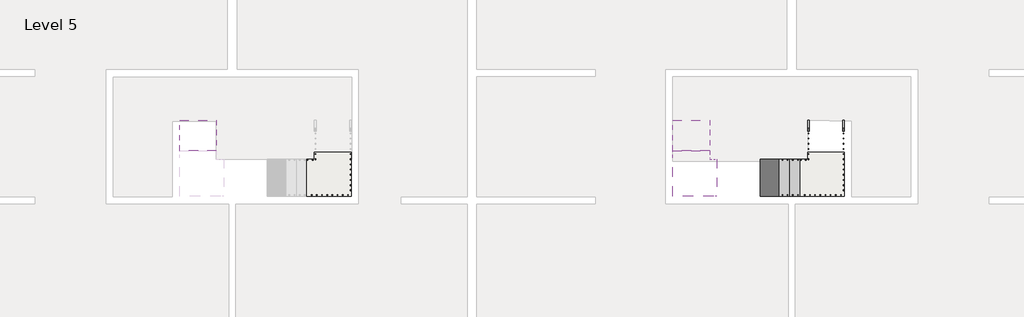
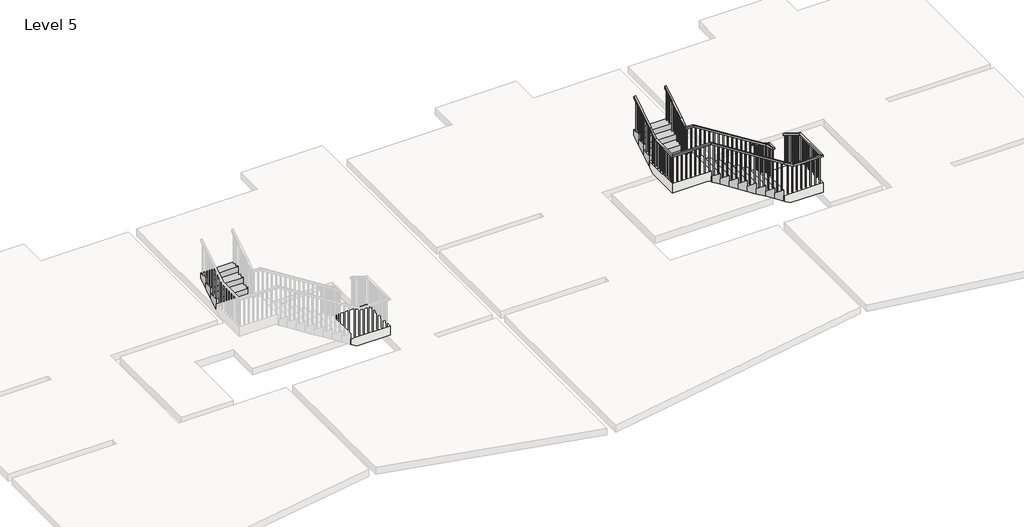
# One storey, part 2 of 2: 3 slabs, 3 stair flights, 2 railings.
"""IFC4 building model written with IfcOpenShell, lengths in millimetres."""

from ifc_helpers import new_model, si_unit, frame, origin, place, context, project, spatial, polyline, outline, extrude, faceted_brep, element, save

model = new_model("IFC4")

# Units and contexts
model_context = context("Model", 3, world=origin())
ifc_project = project(units=[si_unit("LENGTHUNIT", "METRE", prefix="MILLI")], contexts=[model_context])

# Site, building, storey
site = spatial("IfcSite", under=ifc_project)
building = spatial("IfcBuilding", under=site)
storey = spatial("IfcBuildingStorey", under=building, Name="Level 5", Elevation=14800.0)

# Railings
placement = place(None, origin())
element("IfcRailing", 1, ObjectType="900mm", at=placement, inside=storey, context=model_context, shape_type="SolidModel", body=[
    faceted_brep([(6142.5903209, 12537.190715, 15876.7647059), (6142.5903209, 12537.190715, 15817.6347035), (6092.5903209, 12537.190715, 15817.6347035), (6092.5903209, 12537.190715, 15876.7647059), (6142.5903209, 11697.190715, 16407.0588235), (6142.5903209, 11682.7285481, 16357.0588235), (6092.5903209, 11682.7285481, 16357.0588235), (6092.5903209, 11697.190715, 16407.0588235), (6142.5903209, 11441.790715, 16407.0588235), (6092.5903209, 11441.790715, 16407.0588235), (6092.5903209, 11441.790715, 16357.0588235), (6142.5903209, 11441.790715, 16357.0588235)], [[[0, 1, 2, 3]], [[1, 0, 4, 5]], [[2, 1, 5, 6]], [[3, 2, 6, 7]], [[0, 3, 7, 4]], [[8, 9, 10, 11]], [[5, 4, 8, 11]], [[6, 5, 11, 10]], [[7, 6, 10, 9]], [[4, 7, 9, 8]]]),
    faceted_brep([(6092.5903209, 11441.790715, 16427.57469), (6092.5903209, 11441.790715, 16362.8939115), (6092.5903209, 11491.790715, 16362.8939115), (6092.5903209, 11491.790715, 16427.57469), (5902.1903209, 11441.790715, 16583.8235294), (5872.8726563, 11441.790715, 16543.2018426), (5872.8726563, 11491.790715, 16543.2018426), (5902.1903209, 11491.790715, 16583.8235294), (3662.1903209, 11441.790715, 17997.9411765), (3647.7281541, 11441.790715, 17947.9411765), (3647.7281541, 11491.790715, 17947.9411765), (3662.1903209, 11491.790715, 17997.9411765), (3391.7903209, 11441.790715, 17997.9411765), (3391.7903209, 11491.790715, 17997.9411765), (3391.7903209, 11491.790715, 17947.9411765), (3391.7903209, 11441.790715, 17947.9411765)], [[[0, 1, 2, 3]], [[1, 0, 4, 5]], [[2, 1, 5, 6]], [[3, 2, 6, 7]], [[0, 3, 7, 4]], [[5, 4, 8, 9]], [[6, 5, 9, 10]], [[7, 6, 10, 11]], [[4, 7, 11, 8]], [[12, 13, 14, 15]], [[9, 8, 12, 15]], [[10, 9, 15, 14]], [[11, 10, 14, 13]], [[8, 11, 13, 12]]]),
    faceted_brep([(3391.7903209, 11491.790715, 18017.1213746), (3391.7903209, 11491.790715, 17954.1013778), (3441.7903209, 11491.790715, 17954.1013778), (3441.7903209, 11491.790715, 18017.1213746), (3391.7903209, 11697.190715, 18174.7058824), (3391.7903209, 11725.8135241, 18133.6455315), (3441.7903209, 11725.8135241, 18133.6455315), (3441.7903209, 11697.190715, 18174.7058824), (3391.7903209, 12537.190715, 18705.0), (3441.7903209, 12537.190715, 18705.0), (3441.7903209, 12537.190715, 18645.8699976), (3391.7903209, 12537.190715, 18645.8699976)], [[[0, 1, 2, 3]], [[1, 0, 4, 5]], [[2, 1, 5, 6]], [[3, 2, 6, 7]], [[0, 3, 7, 4]], [[8, 9, 10, 11]], [[5, 4, 8, 11]], [[6, 5, 11, 10]], [[7, 6, 10, 9]], [[4, 7, 9, 8]]]),
    extrude(outline(polyline([(12457.190715, 17628.2352941), (12457.190715, 18595.3657959), (12477.190715, 18607.9918463), (12477.190715, 17628.2352941), (12457.190715, 17628.2352941)])), frame((3406.7903209, 0.0, 0.0), z_axis=(1.0, 0.0, 0.0), x_axis=(0.0, 1.0, 0.0)), (0.0, 0.0, 1.0), 20.0),
    extrude(outline(polyline([(12317.190715, 17628.2352941), (12317.190715, 18506.983443), (12337.190715, 18519.6094934), (12337.190715, 17628.2352941), (12317.190715, 17628.2352941)])), frame((3406.7903209, 0.0, 0.0), z_axis=(1.0, 0.0, 0.0), x_axis=(0.0, 1.0, 0.0)), (0.0, 0.0, 1.0), 20.0),
    extrude(outline(polyline([(12177.190715, 17451.4705882), (12177.190715, 18418.60109), (12197.190715, 18431.2271405), (12197.190715, 17451.4705882), (12177.190715, 17451.4705882)])), frame((3406.7903209, 0.0, 0.0), z_axis=(1.0, 0.0, 0.0), x_axis=(0.0, 1.0, 0.0)), (0.0, 0.0, 1.0), 20.0),
    extrude(outline(polyline([(12037.190715, 17451.4705882), (12037.190715, 18330.2187371), (12057.190715, 18342.8447875), (12057.190715, 17451.4705882), (12037.190715, 17451.4705882)])), frame((3406.7903209, 0.0, 0.0), z_axis=(1.0, 0.0, 0.0), x_axis=(0.0, 1.0, 0.0)), (0.0, 0.0, 1.0), 20.0),
    extrude(outline(polyline([(11897.190715, 17274.7058824), (11897.190715, 18241.8363842), (11917.190715, 18254.4624346), (11917.190715, 17274.7058824), (11897.190715, 17274.7058824)])), frame((3406.7903209, 0.0, 0.0), z_axis=(1.0, 0.0, 0.0), x_axis=(0.0, 1.0, 0.0)), (0.0, 0.0, 1.0), 20.0),
    extrude(outline(polyline([(11757.190715, 17274.7058824), (11757.190715, 18153.4540312), (11777.190715, 18166.0800816), (11777.190715, 17274.7058824), (11757.190715, 17274.7058824)])), frame((3406.7903209, 0.0, 0.0), z_axis=(1.0, 0.0, 0.0), x_axis=(0.0, 1.0, 0.0)), (0.0, 0.0, 1.0), 20.0),
    extrude(outline(polyline([(11666.790715, 17097.9411765), (11666.790715, 18088.3627646), (11686.790715, 18103.7069231), (11686.790715, 17097.9411765), (11666.790715, 17097.9411765)])), frame((3406.7903209, 0.0, 0.0), z_axis=(1.0, 0.0, 0.0), x_axis=(0.0, 1.0, 0.0)), (0.0, 0.0, 1.0), 20.0),
    extrude(outline(polyline([(11526.790715, 17097.9411765), (11526.790715, 17980.9536551), (11546.790715, 17996.2978136), (11546.790715, 17097.9411765), (11526.790715, 17097.9411765)])), frame((3406.7903209, 0.0, 0.0), z_axis=(1.0, 0.0, 0.0), x_axis=(0.0, 1.0, 0.0)), (0.0, 0.0, 1.0), 20.0),
    extrude(outline(polyline([(3462.1903209, 11476.790715), (3462.1903209, 11456.790715), (3442.1903209, 11456.790715), (3442.1903209, 11476.790715), (3462.1903209, 11476.790715)])), frame((0.0, 0.0, 17097.9411765), z_axis=(0.0, 0.0, 1.0), x_axis=(1.0, 0.0, 0.0)), (0.0, 0.0, 1.0), 850.0),
    extrude(outline(polyline([(3602.1903209, 11476.790715), (3602.1903209, 11456.790715), (3582.1903209, 11456.790715), (3582.1903209, 11476.790715), (3602.1903209, 11476.790715)])), frame((0.0, 0.0, 17097.9411765), z_axis=(0.0, 0.0, 1.0), x_axis=(1.0, 0.0, 0.0)), (0.0, 0.0, 1.0), 850.0),
    extrude(outline(polyline([(16921.1764706, 3742.1903209), (17888.3069724, 3742.1903209), (17900.9330228, 3722.1903209), (16921.1764706, 3722.1903209), (16921.1764706, 3742.1903209)])), frame((0.0, 11456.790715, 0.0), z_axis=(0.0, 1.0, 0.0), x_axis=(0.0, 0.0, 1.0)), (0.0, 0.0, 1.0), 20.0),
    extrude(outline(polyline([(16921.1764706, 3882.1903209), (17799.9246195, 3882.1903209), (17812.5506699, 3862.1903209), (16921.1764706, 3862.1903209), (16921.1764706, 3882.1903209)])), frame((0.0, 11456.790715, 0.0), z_axis=(0.0, 1.0, 0.0), x_axis=(0.0, 0.0, 1.0)), (0.0, 0.0, 1.0), 20.0),
    extrude(outline(polyline([(16744.4117647, 4022.1903209), (17711.5422665, 4022.1903209), (17724.1683169, 4002.1903209), (16744.4117647, 4002.1903209), (16744.4117647, 4022.1903209)])), frame((0.0, 11456.790715, 0.0), z_axis=(0.0, 1.0, 0.0), x_axis=(0.0, 0.0, 1.0)), (0.0, 0.0, 1.0), 20.0),
    extrude(outline(polyline([(16744.4117647, 4162.1903209), (17623.1599136, 4162.1903209), (17635.785964, 4142.1903209), (16744.4117647, 4142.1903209), (16744.4117647, 4162.1903209)])), frame((0.0, 11456.790715, 0.0), z_axis=(0.0, 1.0, 0.0), x_axis=(0.0, 0.0, 1.0)), (0.0, 0.0, 1.0), 20.0),
    extrude(outline(polyline([(16567.6470588, 4302.1903209), (17534.7775606, 4302.1903209), (17547.4036111, 4282.1903209), (16567.6470588, 4282.1903209), (16567.6470588, 4302.1903209)])), frame((0.0, 11456.790715, 0.0), z_axis=(0.0, 1.0, 0.0), x_axis=(0.0, 0.0, 1.0)), (0.0, 0.0, 1.0), 20.0),
    extrude(outline(polyline([(16567.6470588, 4442.1903209), (17446.3952077, 4442.1903209), (17459.0212581, 4422.1903209), (16567.6470588, 4422.1903209), (16567.6470588, 4442.1903209)])), frame((0.0, 11456.790715, 0.0), z_axis=(0.0, 1.0, 0.0), x_axis=(0.0, 0.0, 1.0)), (0.0, 0.0, 1.0), 20.0),
    extrude(outline(polyline([(16390.8823529, 4582.1903209), (17358.0128548, 4582.1903209), (17370.6389052, 4562.1903209), (16390.8823529, 4562.1903209), (16390.8823529, 4582.1903209)])), frame((0.0, 11456.790715, 0.0), z_axis=(0.0, 1.0, 0.0), x_axis=(0.0, 0.0, 1.0)), (0.0, 0.0, 1.0), 20.0),
    extrude(outline(polyline([(16390.8823529, 4722.1903209), (17269.6305018, 4722.1903209), (17282.2565522, 4702.1903209), (16390.8823529, 4702.1903209), (16390.8823529, 4722.1903209)])), frame((0.0, 11456.790715, 0.0), z_axis=(0.0, 1.0, 0.0), x_axis=(0.0, 0.0, 1.0)), (0.0, 0.0, 1.0), 20.0),
    extrude(outline(polyline([(16214.1176471, 4862.1903209), (17181.2481489, 4862.1903209), (17193.8741993, 4842.1903209), (16214.1176471, 4842.1903209), (16214.1176471, 4862.1903209)])), frame((0.0, 11456.790715, 0.0), z_axis=(0.0, 1.0, 0.0), x_axis=(0.0, 0.0, 1.0)), (0.0, 0.0, 1.0), 20.0),
    extrude(outline(polyline([(16214.1176471, 5002.1903209), (17092.8657959, 5002.1903209), (17105.4918463, 4982.1903209), (16214.1176471, 4982.1903209), (16214.1176471, 5002.1903209)])), frame((0.0, 11456.790715, 0.0), z_axis=(0.0, 1.0, 0.0), x_axis=(0.0, 0.0, 1.0)), (0.0, 0.0, 1.0), 20.0),
    extrude(outline(polyline([(16037.3529412, 5142.1903209), (17004.483443, 5142.1903209), (17017.1094934, 5122.1903209), (16037.3529412, 5122.1903209), (16037.3529412, 5142.1903209)])), frame((0.0, 11456.790715, 0.0), z_axis=(0.0, 1.0, 0.0), x_axis=(0.0, 0.0, 1.0)), (0.0, 0.0, 1.0), 20.0),
    extrude(outline(polyline([(16037.3529412, 5282.1903209), (16916.10109, 5282.1903209), (16928.7271405, 5262.1903209), (16037.3529412, 5262.1903209), (16037.3529412, 5282.1903209)])), frame((0.0, 11456.790715, 0.0), z_axis=(0.0, 1.0, 0.0), x_axis=(0.0, 0.0, 1.0)), (0.0, 0.0, 1.0), 20.0),
    extrude(outline(polyline([(15860.5882353, 5422.1903209), (16827.7187371, 5422.1903209), (16840.3447875, 5402.1903209), (15860.5882353, 5402.1903209), (15860.5882353, 5422.1903209)])), frame((0.0, 11456.790715, 0.0), z_axis=(0.0, 1.0, 0.0), x_axis=(0.0, 0.0, 1.0)), (0.0, 0.0, 1.0), 20.0),
    extrude(outline(polyline([(15860.5882353, 5562.1903209), (16739.3363842, 5562.1903209), (16751.9624346, 5542.1903209), (15860.5882353, 5542.1903209), (15860.5882353, 5562.1903209)])), frame((0.0, 11456.790715, 0.0), z_axis=(0.0, 1.0, 0.0), x_axis=(0.0, 0.0, 1.0)), (0.0, 0.0, 1.0), 20.0),
    extrude(outline(polyline([(15683.8235294, 5702.1903209), (16650.9540312, 5702.1903209), (16663.5800816, 5682.1903209), (15683.8235294, 5682.1903209), (15683.8235294, 5702.1903209)])), frame((0.0, 11456.790715, 0.0), z_axis=(0.0, 1.0, 0.0), x_axis=(0.0, 0.0, 1.0)), (0.0, 0.0, 1.0), 20.0),
    extrude(outline(polyline([(15683.8235294, 5842.1903209), (16562.5716783, 5842.1903209), (16575.1977287, 5822.1903209), (15683.8235294, 5822.1903209), (15683.8235294, 5842.1903209)])), frame((0.0, 11456.790715, 0.0), z_axis=(0.0, 1.0, 0.0), x_axis=(0.0, 0.0, 1.0)), (0.0, 0.0, 1.0), 20.0),
    extrude(outline(polyline([(15507.0588235, 5917.5903209), (16506.5049771, 5917.5903209), (16522.9176703, 5897.5903209), (15507.0588235, 5897.5903209), (15507.0588235, 5917.5903209)])), frame((0.0, 11456.790715, 0.0), z_axis=(0.0, 1.0, 0.0), x_axis=(0.0, 0.0, 1.0)), (0.0, 0.0, 1.0), 20.0),
    extrude(outline(polyline([(15507.0588235, 6057.5903209), (16391.6161246, 6057.5903209), (16408.0288178, 6037.5903209), (15507.0588235, 6037.5903209), (15507.0588235, 6057.5903209)])), frame((0.0, 11456.790715, 0.0), z_axis=(0.0, 1.0, 0.0), x_axis=(0.0, 0.0, 1.0)), (0.0, 0.0, 1.0), 20.0),
    extrude(outline(polyline([(6107.5903209, 11497.190715), (6127.5903209, 11497.190715), (6127.5903209, 11477.190715), (6107.5903209, 11477.190715), (6107.5903209, 11497.190715)])), frame((0.0, 0.0, 15507.0588235), z_axis=(0.0, 0.0, 1.0), x_axis=(1.0, 0.0, 0.0)), (0.0, 0.0, 1.0), 850.0),
    extrude(outline(polyline([(6107.5903209, 11637.190715), (6127.5903209, 11637.190715), (6127.5903209, 11617.190715), (6107.5903209, 11617.190715), (6107.5903209, 11637.190715)])), frame((0.0, 0.0, 15507.0588235), z_axis=(0.0, 0.0, 1.0), x_axis=(1.0, 0.0, 0.0)), (0.0, 0.0, 1.0), 850.0),
    extrude(outline(polyline([(11777.190715, 16297.4246195), (11777.190715, 15330.2941176), (11757.190715, 15330.2941176), (11757.190715, 16310.0506699), (11777.190715, 16297.4246195)])), frame((6107.5903209, 0.0, 0.0), z_axis=(1.0, 0.0, 0.0), x_axis=(0.0, 1.0, 0.0)), (0.0, 0.0, 1.0), 20.0),
    extrude(outline(polyline([(11917.190715, 16209.0422665), (11917.190715, 15330.2941176), (11897.190715, 15330.2941176), (11897.190715, 16221.6683169), (11917.190715, 16209.0422665)])), frame((6107.5903209, 0.0, 0.0), z_axis=(1.0, 0.0, 0.0), x_axis=(0.0, 1.0, 0.0)), (0.0, 0.0, 1.0), 20.0),
    extrude(outline(polyline([(12057.190715, 16120.6599136), (12057.190715, 15153.5294118), (12037.190715, 15153.5294118), (12037.190715, 16133.285964), (12057.190715, 16120.6599136)])), frame((6107.5903209, 0.0, 0.0), z_axis=(1.0, 0.0, 0.0), x_axis=(0.0, 1.0, 0.0)), (0.0, 0.0, 1.0), 20.0),
    extrude(outline(polyline([(12197.190715, 16032.2775606), (12197.190715, 15153.5294118), (12177.190715, 15153.5294118), (12177.190715, 16044.9036111), (12197.190715, 16032.2775606)])), frame((6107.5903209, 0.0, 0.0), z_axis=(1.0, 0.0, 0.0), x_axis=(0.0, 1.0, 0.0)), (0.0, 0.0, 1.0), 20.0),
    extrude(outline(polyline([(12337.190715, 15943.8952077), (12337.190715, 14976.7647059), (12317.190715, 14976.7647059), (12317.190715, 15956.5212581), (12337.190715, 15943.8952077)])), frame((6107.5903209, 0.0, 0.0), z_axis=(1.0, 0.0, 0.0), x_axis=(0.0, 1.0, 0.0)), (0.0, 0.0, 1.0), 20.0),
    extrude(outline(polyline([(12477.190715, 15855.5128548), (12477.190715, 14976.7647059), (12457.190715, 14976.7647059), (12457.190715, 15868.1389052), (12477.190715, 15855.5128548)])), frame((6107.5903209, 0.0, 0.0), z_axis=(1.0, 0.0, 0.0), x_axis=(0.0, 1.0, 0.0)), (0.0, 0.0, 1.0), 20.0),
])
element("IfcRailing", 2, ObjectType="900mm", at=placement, inside=storey, context=model_context, shape_type="SolidModel", body=[
    faceted_brep([(7091.7903209, 12537.190715, 15876.7647059), (7091.7903209, 12537.190715, 15817.6347035), (7041.7903209, 12537.190715, 15817.6347035), (7041.7903209, 12537.190715, 15876.7647059), (7091.7903209, 11697.190715, 16407.0588235), (7091.7903209, 11682.7285481, 16357.0588235), (7041.7903209, 11682.7285481, 16357.0588235), (7041.7903209, 11697.190715, 16407.0588235), (7091.7903209, 10492.590715, 16407.0588235), (7091.7903209, 10492.590715, 16357.0588235), (7041.7903209, 10542.590715, 16357.0588235), (7041.7903209, 10542.590715, 16407.0588235), (6182.1903209, 10492.590715, 16407.0588235), (6167.7281541, 10492.590715, 16357.0588235), (6167.7281541, 10542.590715, 16357.0588235), (6182.1903209, 10542.590715, 16407.0588235), (5902.1903209, 10492.590715, 16583.8235294), (5875.4990265, 10492.590715, 16541.5438085), (5875.4990265, 10542.590715, 16541.5438085), (5902.1903209, 10542.590715, 16583.8235294), (3662.1903209, 10492.590715, 17997.9411765), (3647.7281541, 10492.590715, 17947.9411765), (3647.7281541, 10542.590715, 17947.9411765), (3662.1903209, 10542.590715, 17997.9411765), (2442.5903209, 10492.590715, 17997.9411765), (2442.5903209, 10492.590715, 17947.9411765), (2492.5903209, 10542.590715, 17947.9411765), (2492.5903209, 10542.590715, 17997.9411765), (2442.5903209, 11417.190715, 17997.9411765), (2442.5903209, 11431.6528818, 17947.9411765), (2492.5903209, 11431.6528818, 17947.9411765), (2492.5903209, 11417.190715, 17997.9411765), (2442.5903209, 11697.190715, 18174.7058824), (2442.5903209, 11723.8820094, 18132.4261614), (2492.5903209, 11723.8820094, 18132.4261614), (2492.5903209, 11697.190715, 18174.7058824), (2442.5903209, 12537.190715, 18705.0), (2492.5903209, 12537.190715, 18705.0), (2492.5903209, 12537.190715, 18645.8699976), (2442.5903209, 12537.190715, 18645.8699976)], [[[0, 1, 2, 3]], [[1, 0, 4, 5]], [[2, 1, 5, 6]], [[3, 2, 6, 7]], [[0, 3, 7, 4]], [[5, 4, 8, 9]], [[6, 5, 9, 10]], [[7, 6, 10, 11]], [[4, 7, 11, 8]], [[9, 8, 12, 13]], [[10, 9, 13, 14]], [[11, 10, 14, 15]], [[8, 11, 15, 12]], [[13, 12, 16, 17]], [[14, 13, 17, 18]], [[15, 14, 18, 19]], [[12, 15, 19, 16]], [[17, 16, 20, 21]], [[18, 17, 21, 22]], [[19, 18, 22, 23]], [[16, 19, 23, 20]], [[21, 20, 24, 25]], [[22, 21, 25, 26]], [[23, 22, 26, 27]], [[20, 23, 27, 24]], [[25, 24, 28, 29]], [[26, 25, 29, 30]], [[27, 26, 30, 31]], [[24, 27, 31, 28]], [[29, 28, 32, 33]], [[30, 29, 33, 34]], [[31, 30, 34, 35]], [[28, 31, 35, 32]], [[36, 37, 38, 39]], [[33, 32, 36, 39]], [[34, 33, 39, 38]], [[35, 34, 38, 37]], [[32, 35, 37, 36]]]),
    extrude(outline(polyline([(12457.190715, 18595.3657959), (12477.190715, 18607.9918463), (12477.190715, 17628.2352941), (12457.190715, 17628.2352941), (12457.190715, 18595.3657959)])), frame((2457.5903209, 0.0, 0.0), z_axis=(1.0, 0.0, 0.0), x_axis=(0.0, 1.0, 0.0)), (0.0, 0.0, 1.0), 20.0),
    extrude(outline(polyline([(12317.190715, 18506.983443), (12337.190715, 18519.6094934), (12337.190715, 17628.2352941), (12317.190715, 17628.2352941), (12317.190715, 18506.983443)])), frame((2457.5903209, 0.0, 0.0), z_axis=(1.0, 0.0, 0.0), x_axis=(0.0, 1.0, 0.0)), (0.0, 0.0, 1.0), 20.0),
    extrude(outline(polyline([(12177.190715, 18418.60109), (12197.190715, 18431.2271405), (12197.190715, 17451.4705882), (12177.190715, 17451.4705882), (12177.190715, 18418.60109)])), frame((2457.5903209, 0.0, 0.0), z_axis=(1.0, 0.0, 0.0), x_axis=(0.0, 1.0, 0.0)), (0.0, 0.0, 1.0), 20.0),
    extrude(outline(polyline([(12037.190715, 18330.2187371), (12057.190715, 18342.8447875), (12057.190715, 17451.4705882), (12037.190715, 17451.4705882), (12037.190715, 18330.2187371)])), frame((2457.5903209, 0.0, 0.0), z_axis=(1.0, 0.0, 0.0), x_axis=(0.0, 1.0, 0.0)), (0.0, 0.0, 1.0), 20.0),
    extrude(outline(polyline([(11897.190715, 18241.8363842), (11917.190715, 18254.4624346), (11917.190715, 17274.7058824), (11897.190715, 17274.7058824), (11897.190715, 18241.8363842)])), frame((2457.5903209, 0.0, 0.0), z_axis=(1.0, 0.0, 0.0), x_axis=(0.0, 1.0, 0.0)), (0.0, 0.0, 1.0), 20.0),
    extrude(outline(polyline([(11757.190715, 18153.4540312), (11777.190715, 18166.0800816), (11777.190715, 17274.7058824), (11757.190715, 17274.7058824), (11757.190715, 18153.4540312)])), frame((2457.5903209, 0.0, 0.0), z_axis=(1.0, 0.0, 0.0), x_axis=(0.0, 1.0, 0.0)), (0.0, 0.0, 1.0), 20.0),
    extrude(outline(polyline([(11557.590715, 18027.446048), (11577.590715, 18040.0720985), (11577.590715, 17097.9411765), (11557.590715, 17097.9411765), (11557.590715, 18027.446048)])), frame((2457.5903209, 0.0, 0.0), z_axis=(1.0, 0.0, 0.0), x_axis=(0.0, 1.0, 0.0)), (0.0, 0.0, 1.0), 20.0),
    extrude(outline(polyline([(11417.590715, 17939.0636951), (11437.590715, 17951.6897455), (11437.590715, 17097.9411765), (11417.590715, 17097.9411765), (11417.590715, 17939.0636951)])), frame((2457.5903209, 0.0, 0.0), z_axis=(1.0, 0.0, 0.0), x_axis=(0.0, 1.0, 0.0)), (0.0, 0.0, 1.0), 20.0),
    extrude(outline(polyline([(2457.5903209, 11277.590715), (2457.5903209, 11297.590715), (2477.5903209, 11297.590715), (2477.5903209, 11277.590715), (2457.5903209, 11277.590715)])), frame((0.0, 0.0, 17097.9411765), z_axis=(0.0, 0.0, 1.0), x_axis=(1.0, 0.0, 0.0)), (0.0, 0.0, 1.0), 850.0),
    extrude(outline(polyline([(2457.5903209, 11137.590715), (2457.5903209, 11157.590715), (2477.5903209, 11157.590715), (2477.5903209, 11137.590715), (2457.5903209, 11137.590715)])), frame((0.0, 0.0, 17097.9411765), z_axis=(0.0, 0.0, 1.0), x_axis=(1.0, 0.0, 0.0)), (0.0, 0.0, 1.0), 850.0),
    extrude(outline(polyline([(2457.5903209, 10997.590715), (2457.5903209, 11017.590715), (2477.5903209, 11017.590715), (2477.5903209, 10997.590715), (2457.5903209, 10997.590715)])), frame((0.0, 0.0, 17097.9411765), z_axis=(0.0, 0.0, 1.0), x_axis=(1.0, 0.0, 0.0)), (0.0, 0.0, 1.0), 850.0),
    extrude(outline(polyline([(2457.5903209, 10857.590715), (2457.5903209, 10877.590715), (2477.5903209, 10877.590715), (2477.5903209, 10857.590715), (2457.5903209, 10857.590715)])), frame((0.0, 0.0, 17097.9411765), z_axis=(0.0, 0.0, 1.0), x_axis=(1.0, 0.0, 0.0)), (0.0, 0.0, 1.0), 850.0),
    extrude(outline(polyline([(2457.5903209, 10717.590715), (2457.5903209, 10737.590715), (2477.5903209, 10737.590715), (2477.5903209, 10717.590715), (2457.5903209, 10717.590715)])), frame((0.0, 0.0, 17097.9411765), z_axis=(0.0, 0.0, 1.0), x_axis=(1.0, 0.0, 0.0)), (0.0, 0.0, 1.0), 850.0),
    extrude(outline(polyline([(2457.5903209, 10577.590715), (2457.5903209, 10597.590715), (2477.5903209, 10597.590715), (2477.5903209, 10577.590715), (2457.5903209, 10577.590715)])), frame((0.0, 0.0, 17097.9411765), z_axis=(0.0, 0.0, 1.0), x_axis=(1.0, 0.0, 0.0)), (0.0, 0.0, 1.0), 850.0),
    extrude(outline(polyline([(2482.1903209, 10507.590715), (2462.1903209, 10507.590715), (2462.1903209, 10527.590715), (2482.1903209, 10527.590715), (2482.1903209, 10507.590715)])), frame((0.0, 0.0, 17097.9411765), z_axis=(0.0, 0.0, 1.0), x_axis=(1.0, 0.0, 0.0)), (0.0, 0.0, 1.0), 850.0),
    extrude(outline(polyline([(2622.1903209, 10507.590715), (2602.1903209, 10507.590715), (2602.1903209, 10527.590715), (2622.1903209, 10527.590715), (2622.1903209, 10507.590715)])), frame((0.0, 0.0, 17097.9411765), z_axis=(0.0, 0.0, 1.0), x_axis=(1.0, 0.0, 0.0)), (0.0, 0.0, 1.0), 850.0),
    extrude(outline(polyline([(2762.1903209, 10507.590715), (2742.1903209, 10507.590715), (2742.1903209, 10527.590715), (2762.1903209, 10527.590715), (2762.1903209, 10507.590715)])), frame((0.0, 0.0, 17097.9411765), z_axis=(0.0, 0.0, 1.0), x_axis=(1.0, 0.0, 0.0)), (0.0, 0.0, 1.0), 850.0),
    extrude(outline(polyline([(2902.1903209, 10507.590715), (2882.1903209, 10507.590715), (2882.1903209, 10527.590715), (2902.1903209, 10527.590715), (2902.1903209, 10507.590715)])), frame((0.0, 0.0, 17097.9411765), z_axis=(0.0, 0.0, 1.0), x_axis=(1.0, 0.0, 0.0)), (0.0, 0.0, 1.0), 850.0),
    extrude(outline(polyline([(3042.1903209, 10507.590715), (3022.1903209, 10507.590715), (3022.1903209, 10527.590715), (3042.1903209, 10527.590715), (3042.1903209, 10507.590715)])), frame((0.0, 0.0, 17097.9411765), z_axis=(0.0, 0.0, 1.0), x_axis=(1.0, 0.0, 0.0)), (0.0, 0.0, 1.0), 850.0),
    extrude(outline(polyline([(3182.1903209, 10507.590715), (3162.1903209, 10507.590715), (3162.1903209, 10527.590715), (3182.1903209, 10527.590715), (3182.1903209, 10507.590715)])), frame((0.0, 0.0, 17097.9411765), z_axis=(0.0, 0.0, 1.0), x_axis=(1.0, 0.0, 0.0)), (0.0, 0.0, 1.0), 850.0),
    extrude(outline(polyline([(3322.1903209, 10507.590715), (3302.1903209, 10507.590715), (3302.1903209, 10527.590715), (3322.1903209, 10527.590715), (3322.1903209, 10507.590715)])), frame((0.0, 0.0, 17097.9411765), z_axis=(0.0, 0.0, 1.0), x_axis=(1.0, 0.0, 0.0)), (0.0, 0.0, 1.0), 850.0),
    extrude(outline(polyline([(3462.1903209, 10507.590715), (3442.1903209, 10507.590715), (3442.1903209, 10527.590715), (3462.1903209, 10527.590715), (3462.1903209, 10507.590715)])), frame((0.0, 0.0, 17097.9411765), z_axis=(0.0, 0.0, 1.0), x_axis=(1.0, 0.0, 0.0)), (0.0, 0.0, 1.0), 850.0),
    extrude(outline(polyline([(3602.1903209, 10507.590715), (3582.1903209, 10507.590715), (3582.1903209, 10527.590715), (3602.1903209, 10527.590715), (3602.1903209, 10507.590715)])), frame((0.0, 0.0, 17097.9411765), z_axis=(0.0, 0.0, 1.0), x_axis=(1.0, 0.0, 0.0)), (0.0, 0.0, 1.0), 850.0),
    extrude(outline(polyline([(17888.3069724, 3742.1903209), (17900.9330228, 3722.1903209), (16921.1764706, 3722.1903209), (16921.1764706, 3742.1903209), (17888.3069724, 3742.1903209)])), frame((0.0, 10507.590715, 0.0), z_axis=(0.0, 1.0, 0.0), x_axis=(0.0, 0.0, 1.0)), (0.0, 0.0, 1.0), 20.0),
    extrude(outline(polyline([(17799.9246195, 3882.1903209), (17812.5506699, 3862.1903209), (16921.1764706, 3862.1903209), (16921.1764706, 3882.1903209), (17799.9246195, 3882.1903209)])), frame((0.0, 10507.590715, 0.0), z_axis=(0.0, 1.0, 0.0), x_axis=(0.0, 0.0, 1.0)), (0.0, 0.0, 1.0), 20.0),
    extrude(outline(polyline([(17711.5422665, 4022.1903209), (17724.1683169, 4002.1903209), (16744.4117647, 4002.1903209), (16744.4117647, 4022.1903209), (17711.5422665, 4022.1903209)])), frame((0.0, 10507.590715, 0.0), z_axis=(0.0, 1.0, 0.0), x_axis=(0.0, 0.0, 1.0)), (0.0, 0.0, 1.0), 20.0),
    extrude(outline(polyline([(17623.1599136, 4162.1903209), (17635.785964, 4142.1903209), (16744.4117647, 4142.1903209), (16744.4117647, 4162.1903209), (17623.1599136, 4162.1903209)])), frame((0.0, 10507.590715, 0.0), z_axis=(0.0, 1.0, 0.0), x_axis=(0.0, 0.0, 1.0)), (0.0, 0.0, 1.0), 20.0),
    extrude(outline(polyline([(17534.7775606, 4302.1903209), (17547.4036111, 4282.1903209), (16567.6470588, 4282.1903209), (16567.6470588, 4302.1903209), (17534.7775606, 4302.1903209)])), frame((0.0, 10507.590715, 0.0), z_axis=(0.0, 1.0, 0.0), x_axis=(0.0, 0.0, 1.0)), (0.0, 0.0, 1.0), 20.0),
    extrude(outline(polyline([(17446.3952077, 4442.1903209), (17459.0212581, 4422.1903209), (16567.6470588, 4422.1903209), (16567.6470588, 4442.1903209), (17446.3952077, 4442.1903209)])), frame((0.0, 10507.590715, 0.0), z_axis=(0.0, 1.0, 0.0), x_axis=(0.0, 0.0, 1.0)), (0.0, 0.0, 1.0), 20.0),
    extrude(outline(polyline([(17358.0128548, 4582.1903209), (17370.6389052, 4562.1903209), (16390.8823529, 4562.1903209), (16390.8823529, 4582.1903209), (17358.0128548, 4582.1903209)])), frame((0.0, 10507.590715, 0.0), z_axis=(0.0, 1.0, 0.0), x_axis=(0.0, 0.0, 1.0)), (0.0, 0.0, 1.0), 20.0),
    extrude(outline(polyline([(17269.6305018, 4722.1903209), (17282.2565522, 4702.1903209), (16390.8823529, 4702.1903209), (16390.8823529, 4722.1903209), (17269.6305018, 4722.1903209)])), frame((0.0, 10507.590715, 0.0), z_axis=(0.0, 1.0, 0.0), x_axis=(0.0, 0.0, 1.0)), (0.0, 0.0, 1.0), 20.0),
    extrude(outline(polyline([(17181.2481489, 4862.1903209), (17193.8741993, 4842.1903209), (16214.1176471, 4842.1903209), (16214.1176471, 4862.1903209), (17181.2481489, 4862.1903209)])), frame((0.0, 10507.590715, 0.0), z_axis=(0.0, 1.0, 0.0), x_axis=(0.0, 0.0, 1.0)), (0.0, 0.0, 1.0), 20.0),
    extrude(outline(polyline([(17092.8657959, 5002.1903209), (17105.4918463, 4982.1903209), (16214.1176471, 4982.1903209), (16214.1176471, 5002.1903209), (17092.8657959, 5002.1903209)])), frame((0.0, 10507.590715, 0.0), z_axis=(0.0, 1.0, 0.0), x_axis=(0.0, 0.0, 1.0)), (0.0, 0.0, 1.0), 20.0),
    extrude(outline(polyline([(17004.483443, 5142.1903209), (17017.1094934, 5122.1903209), (16037.3529412, 5122.1903209), (16037.3529412, 5142.1903209), (17004.483443, 5142.1903209)])), frame((0.0, 10507.590715, 0.0), z_axis=(0.0, 1.0, 0.0), x_axis=(0.0, 0.0, 1.0)), (0.0, 0.0, 1.0), 20.0),
    extrude(outline(polyline([(16916.10109, 5282.1903209), (16928.7271405, 5262.1903209), (16037.3529412, 5262.1903209), (16037.3529412, 5282.1903209), (16916.10109, 5282.1903209)])), frame((0.0, 10507.590715, 0.0), z_axis=(0.0, 1.0, 0.0), x_axis=(0.0, 0.0, 1.0)), (0.0, 0.0, 1.0), 20.0),
    extrude(outline(polyline([(16827.7187371, 5422.1903209), (16840.3447875, 5402.1903209), (15860.5882353, 5402.1903209), (15860.5882353, 5422.1903209), (16827.7187371, 5422.1903209)])), frame((0.0, 10507.590715, 0.0), z_axis=(0.0, 1.0, 0.0), x_axis=(0.0, 0.0, 1.0)), (0.0, 0.0, 1.0), 20.0),
    extrude(outline(polyline([(16739.3363842, 5562.1903209), (16751.9624346, 5542.1903209), (15860.5882353, 5542.1903209), (15860.5882353, 5562.1903209), (16739.3363842, 5562.1903209)])), frame((0.0, 10507.590715, 0.0), z_axis=(0.0, 1.0, 0.0), x_axis=(0.0, 0.0, 1.0)), (0.0, 0.0, 1.0), 20.0),
    extrude(outline(polyline([(16650.9540312, 5702.1903209), (16663.5800816, 5682.1903209), (15683.8235294, 5682.1903209), (15683.8235294, 5702.1903209), (16650.9540312, 5702.1903209)])), frame((0.0, 10507.590715, 0.0), z_axis=(0.0, 1.0, 0.0), x_axis=(0.0, 0.0, 1.0)), (0.0, 0.0, 1.0), 20.0),
    extrude(outline(polyline([(16562.5716783, 5842.1903209), (16575.1977287, 5822.1903209), (15683.8235294, 5822.1903209), (15683.8235294, 5842.1903209), (16562.5716783, 5842.1903209)])), frame((0.0, 10507.590715, 0.0), z_axis=(0.0, 1.0, 0.0), x_axis=(0.0, 0.0, 1.0)), (0.0, 0.0, 1.0), 20.0),
    extrude(outline(polyline([(16446.0332329, 6026.7903209), (16458.6592833, 6006.7903209), (15507.0588235, 6006.7903209), (15507.0588235, 6026.7903209), (16446.0332329, 6026.7903209)])), frame((0.0, 10507.590715, 0.0), z_axis=(0.0, 1.0, 0.0), x_axis=(0.0, 0.0, 1.0)), (0.0, 0.0, 1.0), 20.0),
    extrude(outline(polyline([(16357.65088, 6166.7903209), (16370.2769304, 6146.7903209), (15507.0588235, 6146.7903209), (15507.0588235, 6166.7903209), (16357.65088, 6166.7903209)])), frame((0.0, 10507.590715, 0.0), z_axis=(0.0, 1.0, 0.0), x_axis=(0.0, 0.0, 1.0)), (0.0, 0.0, 1.0), 20.0),
    extrude(outline(polyline([(6306.7903209, 10507.590715), (6286.7903209, 10507.590715), (6286.7903209, 10527.590715), (6306.7903209, 10527.590715), (6306.7903209, 10507.590715)])), frame((0.0, 0.0, 15507.0588235), z_axis=(0.0, 0.0, 1.0), x_axis=(1.0, 0.0, 0.0)), (0.0, 0.0, 1.0), 850.0),
    extrude(outline(polyline([(6446.7903209, 10507.590715), (6426.7903209, 10507.590715), (6426.7903209, 10527.590715), (6446.7903209, 10527.590715), (6446.7903209, 10507.590715)])), frame((0.0, 0.0, 15507.0588235), z_axis=(0.0, 0.0, 1.0), x_axis=(1.0, 0.0, 0.0)), (0.0, 0.0, 1.0), 850.0),
    extrude(outline(polyline([(6586.7903209, 10507.590715), (6566.7903209, 10507.590715), (6566.7903209, 10527.590715), (6586.7903209, 10527.590715), (6586.7903209, 10507.590715)])), frame((0.0, 0.0, 15507.0588235), z_axis=(0.0, 0.0, 1.0), x_axis=(1.0, 0.0, 0.0)), (0.0, 0.0, 1.0), 850.0),
    extrude(outline(polyline([(6726.7903209, 10507.590715), (6706.7903209, 10507.590715), (6706.7903209, 10527.590715), (6726.7903209, 10527.590715), (6726.7903209, 10507.590715)])), frame((0.0, 0.0, 15507.0588235), z_axis=(0.0, 0.0, 1.0), x_axis=(1.0, 0.0, 0.0)), (0.0, 0.0, 1.0), 850.0),
    extrude(outline(polyline([(6866.7903209, 10507.590715), (6846.7903209, 10507.590715), (6846.7903209, 10527.590715), (6866.7903209, 10527.590715), (6866.7903209, 10507.590715)])), frame((0.0, 0.0, 15507.0588235), z_axis=(0.0, 0.0, 1.0), x_axis=(1.0, 0.0, 0.0)), (0.0, 0.0, 1.0), 850.0),
    extrude(outline(polyline([(7006.7903209, 10507.590715), (6986.7903209, 10507.590715), (6986.7903209, 10527.590715), (7006.7903209, 10527.590715), (7006.7903209, 10507.590715)])), frame((0.0, 0.0, 15507.0588235), z_axis=(0.0, 0.0, 1.0), x_axis=(1.0, 0.0, 0.0)), (0.0, 0.0, 1.0), 850.0),
    extrude(outline(polyline([(7076.7903209, 10657.190715), (7076.7903209, 10637.190715), (7056.7903209, 10637.190715), (7056.7903209, 10657.190715), (7076.7903209, 10657.190715)])), frame((0.0, 0.0, 15507.0588235), z_axis=(0.0, 0.0, 1.0), x_axis=(1.0, 0.0, 0.0)), (0.0, 0.0, 1.0), 850.0),
    extrude(outline(polyline([(7076.7903209, 10797.190715), (7076.7903209, 10777.190715), (7056.7903209, 10777.190715), (7056.7903209, 10797.190715), (7076.7903209, 10797.190715)])), frame((0.0, 0.0, 15507.0588235), z_axis=(0.0, 0.0, 1.0), x_axis=(1.0, 0.0, 0.0)), (0.0, 0.0, 1.0), 850.0),
    extrude(outline(polyline([(7076.7903209, 10937.190715), (7076.7903209, 10917.190715), (7056.7903209, 10917.190715), (7056.7903209, 10937.190715), (7076.7903209, 10937.190715)])), frame((0.0, 0.0, 15507.0588235), z_axis=(0.0, 0.0, 1.0), x_axis=(1.0, 0.0, 0.0)), (0.0, 0.0, 1.0), 850.0),
    extrude(outline(polyline([(7076.7903209, 11077.190715), (7076.7903209, 11057.190715), (7056.7903209, 11057.190715), (7056.7903209, 11077.190715), (7076.7903209, 11077.190715)])), frame((0.0, 0.0, 15507.0588235), z_axis=(0.0, 0.0, 1.0), x_axis=(1.0, 0.0, 0.0)), (0.0, 0.0, 1.0), 850.0),
    extrude(outline(polyline([(7076.7903209, 11217.190715), (7076.7903209, 11197.190715), (7056.7903209, 11197.190715), (7056.7903209, 11217.190715), (7076.7903209, 11217.190715)])), frame((0.0, 0.0, 15507.0588235), z_axis=(0.0, 0.0, 1.0), x_axis=(1.0, 0.0, 0.0)), (0.0, 0.0, 1.0), 850.0),
    extrude(outline(polyline([(7076.7903209, 11357.190715), (7076.7903209, 11337.190715), (7056.7903209, 11337.190715), (7056.7903209, 11357.190715), (7076.7903209, 11357.190715)])), frame((0.0, 0.0, 15507.0588235), z_axis=(0.0, 0.0, 1.0), x_axis=(1.0, 0.0, 0.0)), (0.0, 0.0, 1.0), 850.0),
    extrude(outline(polyline([(7076.7903209, 11497.190715), (7076.7903209, 11477.190715), (7056.7903209, 11477.190715), (7056.7903209, 11497.190715), (7076.7903209, 11497.190715)])), frame((0.0, 0.0, 15507.0588235), z_axis=(0.0, 0.0, 1.0), x_axis=(1.0, 0.0, 0.0)), (0.0, 0.0, 1.0), 850.0),
    extrude(outline(polyline([(7076.7903209, 11637.190715), (7076.7903209, 11617.190715), (7056.7903209, 11617.190715), (7056.7903209, 11637.190715), (7076.7903209, 11637.190715)])), frame((0.0, 0.0, 15507.0588235), z_axis=(0.0, 0.0, 1.0), x_axis=(1.0, 0.0, 0.0)), (0.0, 0.0, 1.0), 850.0),
    extrude(outline(polyline([(11777.190715, 15330.2941176), (11757.190715, 15330.2941176), (11757.190715, 16310.0506699), (11777.190715, 16297.4246195), (11777.190715, 15330.2941176)])), frame((7056.7903209, 0.0, 0.0), z_axis=(1.0, 0.0, 0.0), x_axis=(0.0, 1.0, 0.0)), (0.0, 0.0, 1.0), 20.0),
    extrude(outline(polyline([(11917.190715, 15330.2941176), (11897.190715, 15330.2941176), (11897.190715, 16221.6683169), (11917.190715, 16209.0422665), (11917.190715, 15330.2941176)])), frame((7056.7903209, 0.0, 0.0), z_axis=(1.0, 0.0, 0.0), x_axis=(0.0, 1.0, 0.0)), (0.0, 0.0, 1.0), 20.0),
    extrude(outline(polyline([(12057.190715, 15153.5294118), (12037.190715, 15153.5294118), (12037.190715, 16133.285964), (12057.190715, 16120.6599136), (12057.190715, 15153.5294118)])), frame((7056.7903209, 0.0, 0.0), z_axis=(1.0, 0.0, 0.0), x_axis=(0.0, 1.0, 0.0)), (0.0, 0.0, 1.0), 20.0),
    extrude(outline(polyline([(12197.190715, 15153.5294118), (12177.190715, 15153.5294118), (12177.190715, 16044.9036111), (12197.190715, 16032.2775606), (12197.190715, 15153.5294118)])), frame((7056.7903209, 0.0, 0.0), z_axis=(1.0, 0.0, 0.0), x_axis=(0.0, 1.0, 0.0)), (0.0, 0.0, 1.0), 20.0),
    extrude(outline(polyline([(12337.190715, 14976.7647059), (12317.190715, 14976.7647059), (12317.190715, 15956.5212581), (12337.190715, 15943.8952077), (12337.190715, 14976.7647059)])), frame((7056.7903209, 0.0, 0.0), z_axis=(1.0, 0.0, 0.0), x_axis=(0.0, 1.0, 0.0)), (0.0, 0.0, 1.0), 20.0),
    extrude(outline(polyline([(12477.190715, 14976.7647059), (12457.190715, 14976.7647059), (12457.190715, 15868.1389052), (12477.190715, 15855.5128548), (12477.190715, 14976.7647059)])), frame((7056.7903209, 0.0, 0.0), z_axis=(1.0, 0.0, 0.0), x_axis=(0.0, 1.0, 0.0)), (0.0, 0.0, 1.0), 20.0),
])

# Slabs
element("IfcSlab", 3, ObjectType="300 mm Thickness", at=placement, inside=storey, context=model_context, shape_type="Brep", body=[
    faceted_brep([(-6247.8096791, 11672.190715, 15507.0588235), (-7247.8096791, 11672.190715, 15507.0588235), (-7247.8096791, 11586.4082078, 15507.0588235), (-7247.8096791, 11492.190715, 15507.0588235), (-7268.5921863, 11492.190715, 15507.0588235), (-7437.8096791, 11492.190715, 15507.0588235), (-7462.8096791, 11492.190715, 15507.0588235), (-7462.8096791, 10492.190715, 15507.0588235), (-7437.8096791, 10492.190715, 15507.0588235), (-7268.5921863, 10492.190715, 15507.0588235), (-6247.8096791, 10492.190715, 15507.0588235), (-6247.8096791, 11586.4082078, 15507.0588235), (-6247.8096791, 11672.190715, 15330.2941176), (-6247.8096791, 11672.190715, 15152.9041105), (-7247.8096791, 11672.190715, 15152.9041105), (-7247.8096791, 11672.190715, 15330.2941176), (-7247.8096791, 11586.4082078, 15207.0588235), (-7247.8096791, 11492.190715, 15207.0588235), (-7437.8096791, 10492.190715, 15313.8862533), (-7268.5921863, 10492.190715, 15207.0588235), (-6247.8096791, 10492.190715, 15207.0588235), (-6247.8096791, 11586.4082078, 15207.0588235), (-7268.5921863, 11492.190715, 15207.0588235), (-7462.8096791, 10492.190715, 15329.6688164), (-7462.8096791, 11492.190715, 15329.6688164), (-7437.8096791, 11492.190715, 15313.8862533)], [[[0, 1, 2, 3, 4, 5, 6, 7, 8, 9, 10, 11]], [[1, 0, 12, 13, 14, 15]], [[1, 15, 14, 16, 17, 3, 2]], [[8, 18, 19, 20, 10, 9]], [[13, 12, 0, 11, 10, 20, 21]], [[16, 21, 20, 19, 22, 17]], [[21, 16, 14, 13]], [[22, 19, 18, 23, 24, 25]], [[3, 17, 22, 25, 5, 4]], [[6, 5, 25, 24]], [[7, 6, 24, 23]], [[8, 7, 23, 18]]]),
])
element("IfcSlab", 4, ObjectType="300 mm Thickness", at=placement, inside=storey, context=model_context, shape_type="Brep", body=[
    faceted_brep([(7092.1903209, 11672.190715, 15507.0588235), (6092.1903209, 11672.190715, 15507.0588235), (6092.1903209, 11586.4082078, 15507.0588235), (6092.1903209, 11492.190715, 15507.0588235), (6071.4078137, 11492.190715, 15507.0588235), (5902.1903209, 11492.190715, 15507.0588235), (5877.1903209, 11492.190715, 15507.0588235), (5877.1903209, 10492.190715, 15507.0588235), (5902.1903209, 10492.190715, 15507.0588235), (6071.4078137, 10492.190715, 15507.0588235), (7092.1903209, 10492.190715, 15507.0588235), (7092.1903209, 11586.4082078, 15507.0588235), (7092.1903209, 11672.190715, 15330.2941176), (7092.1903209, 11672.190715, 15152.9041105), (6092.1903209, 11672.190715, 15152.9041105), (6092.1903209, 11672.190715, 15330.2941176), (6092.1903209, 11586.4082078, 15207.0588235), (6092.1903209, 11492.190715, 15207.0588235), (5902.1903209, 10492.190715, 15313.8862533), (6071.4078137, 10492.190715, 15207.0588235), (7092.1903209, 10492.190715, 15207.0588235), (7092.1903209, 11586.4082078, 15207.0588235), (6071.4078137, 11492.190715, 15207.0588235), (5877.1903209, 10492.190715, 15329.6688164), (5877.1903209, 11492.190715, 15329.6688164), (5902.1903209, 11492.190715, 15313.8862533)], [[[0, 1, 2, 3, 4, 5, 6, 7, 8, 9, 10, 11]], [[1, 0, 12, 13, 14, 15]], [[1, 15, 14, 16, 17, 3, 2]], [[8, 18, 19, 20, 10, 9]], [[13, 12, 0, 11, 10, 20, 21]], [[16, 21, 20, 19, 22, 17]], [[21, 16, 14, 13]], [[22, 19, 18, 23, 24, 25]], [[3, 17, 22, 25, 5, 4]], [[6, 5, 25, 24]], [[7, 6, 24, 23]], [[8, 7, 23, 18]]]),
])
element("IfcSlab", 5, ObjectType="300 mm Thickness", at=placement, inside=storey, context=model_context, shape_type="Brep", body=[
    faceted_brep([(3637.1903209, 10492.190715, 17097.9411765), (3637.1903209, 11492.190715, 17097.9411765), (3551.4078137, 11492.190715, 17097.9411765), (3442.1903209, 11492.190715, 17097.9411765), (3442.1903209, 11527.9732222, 17097.9411765), (3442.1903209, 11697.190715, 17097.9411765), (3442.1903209, 11722.190715, 17097.9411765), (2442.1903209, 11722.190715, 17097.9411765), (2442.1903209, 11697.190715, 17097.9411765), (2442.1903209, 11527.9732222, 17097.9411765), (2442.1903209, 10492.190715, 17097.9411765), (3551.4078137, 10492.190715, 17097.9411765), (3637.1903209, 10492.190715, 16921.1764706), (3637.1903209, 10492.190715, 16743.7864634), (3637.1903209, 11492.190715, 16743.7864634), (3637.1903209, 11492.190715, 16921.1764706), (3551.4078137, 11492.190715, 16797.9411765), (3442.1903209, 11492.190715, 16797.9411765), (2442.1903209, 11697.190715, 16904.7686063), (2442.1903209, 11527.9732222, 16797.9411765), (2442.1903209, 10492.190715, 16797.9411765), (3551.4078137, 10492.190715, 16797.9411765), (3442.1903209, 11527.9732222, 16797.9411765), (2442.1903209, 11722.190715, 16920.5511693), (3442.1903209, 11722.190715, 16920.5511693), (3442.1903209, 11697.190715, 16904.7686063)], [[[0, 1, 2, 3, 4, 5, 6, 7, 8, 9, 10, 11]], [[1, 0, 12, 13, 14, 15]], [[1, 15, 14, 16, 17, 3, 2]], [[8, 18, 19, 20, 10, 9]], [[13, 12, 0, 11, 10, 20, 21]], [[16, 21, 20, 19, 22, 17]], [[21, 16, 14, 13]], [[22, 19, 18, 23, 24, 25]], [[3, 17, 22, 25, 5, 4]], [[6, 5, 25, 24]], [[7, 6, 24, 23]], [[8, 7, 23, 18]]]),
])

# Stair flights
element("IfcStairFlight", 6, ObjectType="25 mm Nosing", at=placement, inside=storey, context=model_context, shape_type="Brep", body=[
    faceted_brep([(-10897.8096791, 12002.190715, 17274.7058824), (-10897.8096791, 11722.190715, 17274.7058824), (-9897.8096791, 11722.190715, 17274.7058824), (-9897.8096791, 12002.190715, 17274.7058824), (-10897.8096791, 12002.190715, 17097.3158752), (-10897.8096791, 11722.190715, 16920.5511693), (-10897.8096791, 11722.190715, 17097.9411765), (-9897.8096791, 11722.190715, 16920.5511693), (-9897.8096791, 11722.190715, 17097.9411765), (-9897.8096791, 12002.190715, 17097.3158752), (-10897.8096791, 12282.190715, 17451.4705882), (-10897.8096791, 12002.190715, 17451.4705882), (-9897.8096791, 12002.190715, 17451.4705882), (-9897.8096791, 12282.190715, 17451.4705882), (-10897.8096791, 12282.190715, 17274.0805811), (-9897.8096791, 12282.190715, 17274.0805811), (-10897.8096791, 12537.190715, 17628.2352941), (-10897.8096791, 12282.190715, 17628.2352941), (-9897.8096791, 12282.190715, 17628.2352941), (-9897.8096791, 12537.190715, 17628.2352941), (-10897.8096791, 12537.190715, 17435.0627239), (-9897.8096791, 12537.190715, 17435.0627239)], [[[0, 1, 2, 3]], [[1, 0, 4, 5, 6]], [[2, 1, 6, 5, 7, 8]], [[3, 2, 8, 7, 9]], [[10, 11, 12, 13]], [[11, 10, 14, 4, 0]], [[12, 11, 0, 3]], [[13, 12, 3, 9, 15]], [[16, 17, 18, 19]], [[17, 16, 20, 14, 10]], [[18, 17, 10, 13]], [[19, 18, 13, 15, 21]], [[16, 19, 21, 20]], [[5, 4, 14, 20, 21, 15, 9, 7]]]),
])
element("IfcStairFlight", 7, ObjectType="25 mm Nosing", at=placement, inside=storey, context=model_context, shape_type="Brep", body=[
    faceted_brep([(5597.1903209, 10492.190715, 15683.8235294), (5877.1903209, 10492.190715, 15683.8235294), (5877.1903209, 11492.190715, 15683.8235294), (5597.1903209, 11492.190715, 15683.8235294), (5597.1903209, 10492.190715, 15506.4335222), (5877.1903209, 10492.190715, 15329.6688164), (5877.1903209, 10492.190715, 15507.0588235), (5877.1903209, 11492.190715, 15329.6688164), (5877.1903209, 11492.190715, 15507.0588235), (5597.1903209, 11492.190715, 15506.4335222), (5317.1903209, 10492.190715, 15860.5882353), (5597.1903209, 10492.190715, 15860.5882353), (5597.1903209, 11492.190715, 15860.5882353), (5317.1903209, 11492.190715, 15860.5882353), (5317.1903209, 10492.190715, 15683.1982281), (5317.1903209, 11492.190715, 15683.1982281), (5037.1903209, 10492.190715, 16037.3529412), (5317.1903209, 10492.190715, 16037.3529412), (5317.1903209, 11492.190715, 16037.3529412), (5037.1903209, 11492.190715, 16037.3529412), (5037.1903209, 10492.190715, 15859.962934), (5037.1903209, 11492.190715, 15859.962934), (4757.1903209, 10492.190715, 16214.1176471), (5037.1903209, 10492.190715, 16214.1176471), (5037.1903209, 11492.190715, 16214.1176471), (4757.1903209, 11492.190715, 16214.1176471), (4757.1903209, 10492.190715, 16036.7276399), (4757.1903209, 11492.190715, 16036.7276399), (4477.1903209, 10492.190715, 16390.8823529), (4757.1903209, 10492.190715, 16390.8823529), (4757.1903209, 11492.190715, 16390.8823529), (4477.1903209, 11492.190715, 16390.8823529), (4477.1903209, 10492.190715, 16213.4923458), (4477.1903209, 11492.190715, 16213.4923458), (4197.1903209, 10492.190715, 16567.6470588), (4477.1903209, 10492.190715, 16567.6470588), (4477.1903209, 11492.190715, 16567.6470588), (4197.1903209, 11492.190715, 16567.6470588), (4197.1903209, 10492.190715, 16390.2570517), (4197.1903209, 11492.190715, 16390.2570517), (3917.1903209, 10492.190715, 16744.4117647), (4197.1903209, 10492.190715, 16744.4117647), (4197.1903209, 11492.190715, 16744.4117647), (3917.1903209, 11492.190715, 16744.4117647), (3917.1903209, 10492.190715, 16567.0217575), (3917.1903209, 11492.190715, 16567.0217575), (3637.1903209, 10492.190715, 16921.1764706), (3662.1903209, 10492.190715, 16921.1764706), (3917.1903209, 10492.190715, 16921.1764706), (3917.1903209, 11492.190715, 16921.1764706), (3662.1903209, 11492.190715, 16921.1764706), (3637.1903209, 11492.190715, 16921.1764706), (3637.1903209, 10492.190715, 16743.7864634), (3662.1903209, 10492.190715, 16728.0039004), (3662.1903209, 11492.190715, 16728.0039004), (3637.1903209, 11492.190715, 16743.7864634)], [[[0, 1, 2, 3]], [[1, 0, 4, 5, 6]], [[2, 1, 6, 5, 7, 8]], [[3, 2, 8, 7, 9]], [[10, 11, 12, 13]], [[11, 10, 14, 4, 0]], [[0, 3, 12, 11]], [[13, 12, 3, 9, 15]], [[16, 17, 18, 19]], [[17, 16, 20, 14, 10]], [[10, 13, 18, 17]], [[19, 18, 13, 15, 21]], [[22, 23, 24, 25]], [[23, 22, 26, 20, 16]], [[16, 19, 24, 23]], [[25, 24, 19, 21, 27]], [[28, 29, 30, 31]], [[29, 28, 32, 26, 22]], [[22, 25, 30, 29]], [[31, 30, 25, 27, 33]], [[34, 35, 36, 37]], [[35, 34, 38, 32, 28]], [[28, 31, 36, 35]], [[37, 36, 31, 33, 39]], [[40, 41, 42, 43]], [[41, 40, 44, 38, 34]], [[34, 37, 42, 41]], [[43, 42, 37, 39, 45]], [[46, 47, 48, 49, 50, 51]], [[47, 46, 52, 53]], [[40, 43, 49, 48]], [[50, 49, 43, 45, 54]], [[46, 51, 55, 52]], [[5, 4, 14, 20, 26, 32, 38, 44, 53, 52, 55, 54, 45, 39, 33, 27, 21, 15, 9, 7]], [[48, 47, 53, 44, 40]], [[51, 50, 54, 55]]]),
])
element("IfcStairFlight", 8, ObjectType="25 mm Nosing", at=placement, inside=storey, context=model_context, shape_type="Brep", body=[
    faceted_brep([(2442.1903209, 12002.190715, 17274.7058824), (2442.1903209, 11722.190715, 17274.7058824), (3442.1903209, 11722.190715, 17274.7058824), (3442.1903209, 12002.190715, 17274.7058824), (2442.1903209, 12002.190715, 17097.3158752), (2442.1903209, 11722.190715, 16920.5511693), (2442.1903209, 11722.190715, 17097.9411765), (3442.1903209, 11722.190715, 16920.5511693), (3442.1903209, 11722.190715, 17097.9411765), (3442.1903209, 12002.190715, 17097.3158752), (2442.1903209, 12282.190715, 17451.4705882), (2442.1903209, 12002.190715, 17451.4705882), (3442.1903209, 12002.190715, 17451.4705882), (3442.1903209, 12282.190715, 17451.4705882), (2442.1903209, 12282.190715, 17274.0805811), (3442.1903209, 12282.190715, 17274.0805811), (2442.1903209, 12537.190715, 17628.2352941), (2442.1903209, 12282.190715, 17628.2352941), (3442.1903209, 12282.190715, 17628.2352941), (3442.1903209, 12537.190715, 17628.2352941), (2442.1903209, 12537.190715, 17435.0627239), (3442.1903209, 12537.190715, 17435.0627239)], [[[0, 1, 2, 3]], [[1, 0, 4, 5, 6]], [[2, 1, 6, 5, 7, 8]], [[3, 2, 8, 7, 9]], [[10, 11, 12, 13]], [[11, 10, 14, 4, 0]], [[12, 11, 0, 3]], [[13, 12, 3, 9, 15]], [[16, 17, 18, 19]], [[17, 16, 20, 14, 10]], [[18, 17, 10, 13]], [[19, 18, 13, 15, 21]], [[16, 19, 21, 20]], [[5, 4, 14, 20, 21, 15, 9, 7]]]),
])

save(model, "model.ifc")
